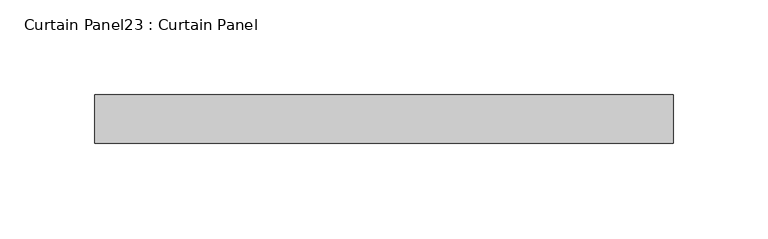
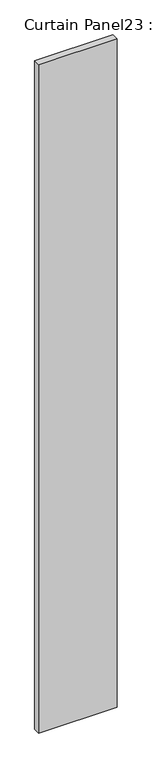
"""IFC4 building model written with IfcOpenShell, lengths in millimetres: plate geometry, Curtain Panel23 : Curtain Panel."""

from ifc_helpers import new_model, si_unit, frame, origin, place, context, project, spatial, polyline, outline, extrude, source, transform, mapped, element, save


def curtain_panel23_curtain_panel_a8c62f4b(model_context):
    return source(origin(), model_context, "Body", "SweptSolid", [
        extrude(outline(polyline([(19674.5926953, 2903.9802504), (19369.7926953, 2903.9802504), (19369.7926953, 2929.3802504), (19674.5926953, 2929.3802504), (19674.5926953, 2903.9802504)])), frame((0.0, 0.0, -633.5446495), z_axis=(0.0, 0.0, 1.0), x_axis=(1.0, 0.0, 0.0)), (0.0, 0.0, 1.0), 2743.2),
    ])


if __name__ == "__main__":
    model = new_model("IFC4")
    model_context = context("Model", 3, world=origin())
    ifc_project = project(units=[si_unit("LENGTHUNIT", "METRE", prefix="MILLI")], contexts=[model_context])
    site = spatial("IfcSite", under=ifc_project)
    building = spatial("IfcBuilding", under=site)
    placement = place(None, origin())
    curtain_panel23_curtain_panel_shape = curtain_panel23_curtain_panel_a8c62f4b(model_context)
    element("IfcPlate", 1, ObjectType="Curtain Panel23 : Curtain Panel", at=placement, inside=building, context=model_context, shape_type="MappedRepresentation", body=[
        mapped(curtain_panel23_curtain_panel_shape, transform((0.0, 0.0, 0.0), x_axis=(1.0, 0.0, 0.0), y_axis=(0.0, 1.0, 0.0), z_axis=(0.0, 0.0, 1.0))),
    ])
    save(model, "model.ifc")
